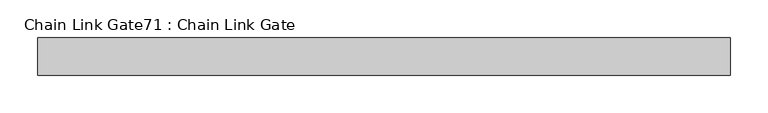
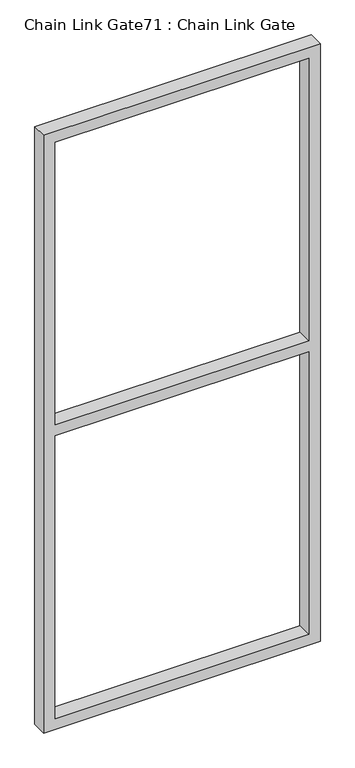
"""IFC4 building model written with IfcOpenShell, lengths in millimetres: proxy geometry, Chain Link Gate71 : Chain Link Gate."""

from ifc_helpers import new_model, si_unit, frame, origin, place, context, project, spatial, polyline, outline, extrude, source, transform, mapped, element, save


def chain_link_gate71_chain_link_gate_796a23cb(model_context):
    return source(origin(), model_context, "Body", "SweptSolid", [
        extrude(outline(polyline([(2120.9, 275890.3987172), (12.7, 275890.3987172), (12.7, 276814.3237172), (2120.9, 276814.3237172), (2120.9, 275890.3987172)]), holes=[polyline([(2082.8, 275928.4987172), (2082.8, 276776.2237172), (1085.85, 276776.2237172), (1085.85, 275928.4987172), (2082.8, 275928.4987172)]), polyline([(1047.75, 276776.2237172), (50.8, 276776.2237172), (50.8, 275928.4987172), (1047.75, 275928.4987172), (1047.75, 276776.2237172)])]), frame((0.0, 34964.9480239, 0.0), z_axis=(0.0, 1.0, 0.0), x_axis=(0.0, 0.0, 1.0)), (0.0, 0.0, 1.0), 50.1314753),
    ])


if __name__ == "__main__":
    model = new_model("IFC4")
    model_context = context("Model", 3, world=origin())
    ifc_project = project(units=[si_unit("LENGTHUNIT", "METRE", prefix="MILLI")], contexts=[model_context])
    site = spatial("IfcSite", under=ifc_project)
    building = spatial("IfcBuilding", under=site)
    placement = place(None, origin())
    chain_link_gate71_chain_link_gate_shape = chain_link_gate71_chain_link_gate_796a23cb(model_context)
    element("IfcBuildingElementProxy", 1, Name="Chain Link Gate71 : Chain Link Gate", ObjectType="Chain Link Gate71 : Chain Link Gate", at=placement, inside=building, context=model_context, shape_type="MappedRepresentation", body=[
        mapped(chain_link_gate71_chain_link_gate_shape, transform((0.0, 0.0, 0.0), x_axis=(1.0, 0.0, 0.0), y_axis=(0.0, 1.0, 0.0), z_axis=(0.0, 0.0, 1.0))),
    ])
    save(model, "model.ifc")
